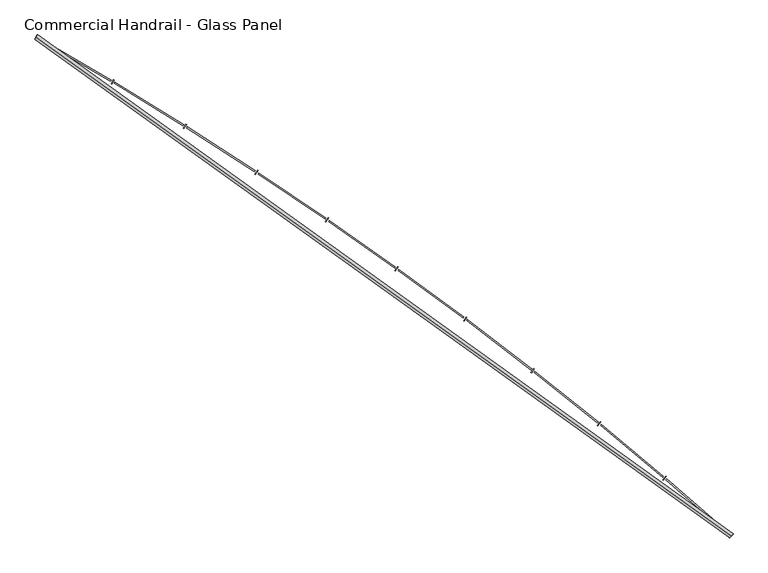
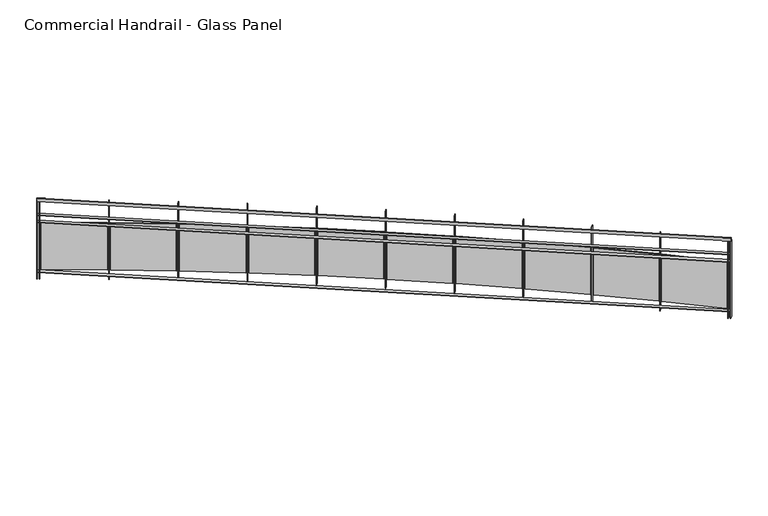
"""IFC4 building model written with IfcOpenShell, lengths in millimetres: railing geometry, Commercial Handrail - Glass Panel."""

from ifc_helpers import new_model, si_unit, point, frame, origin, place, context, project, spatial, polyline, circle_curve, ellipse_curve, trimmed, outline, extrude, source, transform, mapped, element, save
from ifc_brep_helpers import plane_surface, cylinder_surface, revolved_surface, advanced_brep


def commercial_handrail_glass_panel_d713c101(model_context):
    return source(origin(), model_context, "Body", "SolidModel", [
        advanced_brep(
        [(167549.0741026, -21421.502679, 9482.5), (161013.6212135, -16726.1286002, 9482.5), (161013.6212135, -16726.1286002, 9517.5), (167549.0741026, -21421.502679, 9517.5)],
        [
            (0, 1, circle_curve(frame((141448.4989992, -50854.6714836, 9482.5), z_axis=(0.0, 0.0, 1.0), x_axis=(0.4973475894068907, 0.8675513675346002, 0.0)), 39338.9304203)),
            (1, 2, ellipse_curve(frame((161013.6212135, -16726.1286002, 9500.0), z_axis=(0.867551367534597, -0.4973475894068962, 0.0), x_axis=(-0.4973475894068962, -0.867551367534597, 0.0)), 25.0, 17.5)),
            (2, 3, circle_curve(frame((141448.4989992, -50854.6714836, 9517.5), z_axis=(0.0, 0.0, -1.0), x_axis=(0.4973475894068907, 0.8675513675346002, 0.0)), 39338.9304203)),
            (3, 0, ellipse_curve(frame((167549.0741026, -21421.502679, 9500.0), z_axis=(-0.748194434626209, 0.6634795309535686, 0.0), x_axis=(-0.6634795309535686, -0.748194434626209, 0.0)), 25.0, 17.5)),
            (2, 1, ellipse_curve(frame((161013.6212135, -16726.1286002, 9500.0), z_axis=(0.867551367534597, -0.4973475894068962, 0.0), x_axis=(-0.4973475894068962, -0.867551367534597, 0.0)), 25.0, 17.5)),
            (0, 3, ellipse_curve(frame((167549.0741026, -21421.502679, 9500.0), z_axis=(-0.748194434626209, 0.6634795309535686, 0.0), x_axis=(-0.6634795309535686, -0.748194434626209, 0.0)), 25.0, 17.5)),
        ],
        [
            revolved_surface(trimmed(ellipse_curve(frame((161013.6212135, -16726.1286002, 9500.0), z_axis=(-0.8675513675346002, 0.4973475894068907, 0.0), x_axis=(0.0, 0.0, -1.0)), 17.5, 25.0), [point((161013.6212135, -16726.1286002, 9517.5))], [point((161013.6212135, -16726.1286002, 9482.5))], True, "CARTESIAN"), (141448.4989992, -50854.6714836, 9500.0), (0.0, 0.0, -1.0)),
            revolved_surface(trimmed(ellipse_curve(frame((161013.6212135, -16726.1286002, 9500.0), z_axis=(-0.8675513675346002, 0.4973475894068907, 0.0), x_axis=(0.0, 0.0, -1.0)), 17.5, 25.0), [point((161013.6212135, -16726.1286002, 9482.5))], [point((161013.6212135, -16726.1286002, 9517.5))], True, "CARTESIAN"), (141448.4989992, -50854.6714836, 9500.0), (0.0, 0.0, -1.0)),
            plane_surface(frame((161013.6212135, -16726.1286002, 9500.0), z_axis=(-0.8675513675346002, 0.4973475894068907, 0.0), x_axis=(0.4973475894068907, 0.8675513675346002, 0.0))),
            plane_surface(frame((167549.0741026, -21421.502679, 9500.0), z_axis=(0.7481944346262088, -0.663479530953569, 0.0), x_axis=(0.663479530953569, 0.7481944346262088, 0.0))),
        ],
        [
            (0, [[1, 2, 3, 4]]),
            (1, [[-3, 5, -1, 6]]),
            (2, [[-2, -5]]),
            (3, [[-6, -4]]),
        ],
    ),
        advanced_brep(
        [(167564.0023921, -21404.6683042, 9300.0), (161024.8115343, -16706.6086944, 9300.0), (161002.4308928, -16745.6485059, 9300.0), (167534.1458132, -21438.3370538, 9300.0), (167564.0023921, -21404.6683042, 9294.0), (161024.8115343, -16706.6086944, 9294.0), (167534.1458132, -21438.3370538, 9294.0), (161002.4308928, -16745.6485059, 9294.0)],
        [
            (0, 1, circle_curve(frame((141448.4989992, -50854.6714836, 9300.0), z_axis=(0.0, 0.0, 1.0), x_axis=(0.4973475894068907, 0.8675513675346002, 0.0)), 39361.4304203)),
            (1, 2),
            (2, 3, circle_curve(frame((141448.4989992, -50854.6714836, 9300.0), z_axis=(0.0, 0.0, -1.0), x_axis=(0.4973475894068907, 0.8675513675346002, 0.0)), 39316.4304203)),
            (3, 0),
            (4, 5, circle_curve(frame((141448.4989992, -50854.6714836, 9294.0), z_axis=(0.0, 0.0, 1.0), x_axis=(0.4973475894068907, 0.8675513675346002, 0.0)), 39361.4304203)),
            (5, 1),
            (0, 4),
            (6, 7, circle_curve(frame((141448.4989992, -50854.6714836, 9294.0), z_axis=(0.0, 0.0, 1.0), x_axis=(0.4973475894068907, 0.8675513675346002, 0.0)), 39316.4304203)),
            (7, 5),
            (4, 6),
            (2, 7),
            (6, 3),
        ],
        [
            plane_surface(frame((141448.4989992, -50854.6714836, 9300.0), z_axis=(0.0, 0.0, 1.0), x_axis=(0.4973475894068907, 0.8675513675346002, 0.0))),
            cylinder_surface(frame((141448.4989992, -50854.6714836, 9300.0), z_axis=(0.0, 0.0, -1.0), x_axis=(0.4973475894068907, 0.8675513675346002, 0.0)), 39361.4304203),
            plane_surface(frame((141448.4989992, -50854.6714836, 9294.0), z_axis=(0.0, 0.0, -1.0), x_axis=(0.4973475894068907, 0.8675513675346002, 0.0))),
            revolved_surface(polyline([(161002.43089281995, -16745.64850588978, 9294.0), (161002.43089281995, -16745.64850588978, 9300.0)]), (141448.4989992, -50854.6714836, 9300.0), (0.0, 0.0, -1.0)),
            plane_surface(frame((161013.6212135, -16726.1286002, 9300.0), z_axis=(-0.8675513675346002, 0.4973475894068907, 0.0), x_axis=(0.4973475894068907, 0.8675513675346002, 0.0))),
            plane_surface(frame((167549.0741026, -21421.502679, 9300.0), z_axis=(0.7481944346262088, -0.663479530953569, 0.0), x_axis=(0.663479530953569, 0.7481944346262088, 0.0))),
        ],
        [
            (0, [[1, 2, 3, 4]]),
            (1, [[5, 6, -1, 7]]),
            (2, [[8, 9, -5, 10]]),
            (3, [[-3, 11, -8, 12]]),
            (4, [[-2, -6, -9, -11]]),
            (5, [[-12, -10, -7, -4]]),
        ],
    ),
        advanced_brep(
        [(167564.0023921, -21404.6683042, 9200.0), (161024.8115343, -16706.6086944, 9200.0), (161002.4308928, -16745.6485059, 9200.0), (167534.1458132, -21438.3370538, 9200.0), (167564.0023921, -21404.6683042, 9194.0), (161024.8115343, -16706.6086944, 9194.0), (167534.1458132, -21438.3370538, 9194.0), (161002.4308928, -16745.6485059, 9194.0)],
        [
            (0, 1, circle_curve(frame((141448.4989992, -50854.6714836, 9200.0), z_axis=(0.0, 0.0, 1.0), x_axis=(0.4973475894068907, 0.8675513675346002, 0.0)), 39361.4304203)),
            (1, 2),
            (2, 3, circle_curve(frame((141448.4989992, -50854.6714836, 9200.0), z_axis=(0.0, 0.0, -1.0), x_axis=(0.4973475894068907, 0.8675513675346002, 0.0)), 39316.4304203)),
            (3, 0),
            (4, 5, circle_curve(frame((141448.4989992, -50854.6714836, 9194.0), z_axis=(0.0, 0.0, 1.0), x_axis=(0.4973475894068907, 0.8675513675346002, 0.0)), 39361.4304203)),
            (5, 1),
            (0, 4),
            (6, 7, circle_curve(frame((141448.4989992, -50854.6714836, 9194.0), z_axis=(0.0, 0.0, 1.0), x_axis=(0.4973475894068907, 0.8675513675346002, 0.0)), 39316.4304203)),
            (7, 5),
            (4, 6),
            (2, 7),
            (6, 3),
        ],
        [
            plane_surface(frame((141448.4989992, -50854.6714836, 9200.0), z_axis=(0.0, 0.0, 1.0), x_axis=(0.4973475894068907, 0.8675513675346002, 0.0))),
            cylinder_surface(frame((141448.4989992, -50854.6714836, 9200.0), z_axis=(0.0, 0.0, -1.0), x_axis=(0.4973475894068907, 0.8675513675346002, 0.0)), 39361.4304203),
            plane_surface(frame((141448.4989992, -50854.6714836, 9194.0), z_axis=(0.0, 0.0, -1.0), x_axis=(0.4973475894068907, 0.8675513675346002, 0.0))),
            revolved_surface(polyline([(161002.43089281995, -16745.64850588978, 9194.0), (161002.43089281995, -16745.64850588978, 9200.0)]), (141448.4989992, -50854.6714836, 9200.0), (0.0, 0.0, -1.0)),
            plane_surface(frame((161013.6212135, -16726.1286002, 9200.0), z_axis=(-0.8675513675346002, 0.4973475894068907, 0.0), x_axis=(0.4973475894068907, 0.8675513675346002, 0.0))),
            plane_surface(frame((167549.0741026, -21421.502679, 9200.0), z_axis=(0.7481944346262088, -0.663479530953569, 0.0), x_axis=(0.663479530953569, 0.7481944346262088, 0.0))),
        ],
        [
            (0, [[1, 2, 3, 4]]),
            (1, [[5, 6, -1, 7]]),
            (2, [[8, 9, -5, 10]]),
            (3, [[-3, 11, -8, 12]]),
            (4, [[-2, -6, -9, -11]]),
            (5, [[-12, -10, -7, -4]]),
        ],
    ),
        advanced_brep(
        [(167564.0023921, -21404.6683042, 8500.0), (161024.8115343, -16706.6086944, 8500.0), (161002.4308928, -16745.6485059, 8500.0), (167534.1458132, -21438.3370538, 8500.0), (167564.0023921, -21404.6683042, 8494.0), (161024.8115343, -16706.6086944, 8494.0), (167534.1458132, -21438.3370538, 8494.0), (161002.4308928, -16745.6485059, 8494.0)],
        [
            (0, 1, circle_curve(frame((141448.4989992, -50854.6714836, 8500.0), z_axis=(0.0, 0.0, 1.0), x_axis=(0.4973475894068907, 0.8675513675346002, 0.0)), 39361.4304203)),
            (1, 2),
            (2, 3, circle_curve(frame((141448.4989992, -50854.6714836, 8500.0), z_axis=(0.0, 0.0, -1.0), x_axis=(0.4973475894068907, 0.8675513675346002, 0.0)), 39316.4304203)),
            (3, 0),
            (4, 5, circle_curve(frame((141448.4989992, -50854.6714836, 8494.0), z_axis=(0.0, 0.0, 1.0), x_axis=(0.4973475894068907, 0.8675513675346002, 0.0)), 39361.4304203)),
            (5, 1),
            (0, 4),
            (6, 7, circle_curve(frame((141448.4989992, -50854.6714836, 8494.0), z_axis=(0.0, 0.0, 1.0), x_axis=(0.4973475894068907, 0.8675513675346002, 0.0)), 39316.4304203)),
            (7, 5),
            (4, 6),
            (2, 7),
            (6, 3),
        ],
        [
            plane_surface(frame((141448.4989992, -50854.6714836, 8500.0), z_axis=(0.0, 0.0, 1.0), x_axis=(0.4973475894068907, 0.8675513675346002, 0.0))),
            cylinder_surface(frame((141448.4989992, -50854.6714836, 8500.0), z_axis=(0.0, 0.0, -1.0), x_axis=(0.4973475894068907, 0.8675513675346002, 0.0)), 39361.4304203),
            plane_surface(frame((141448.4989992, -50854.6714836, 8494.0), z_axis=(0.0, 0.0, -1.0), x_axis=(0.4973475894068907, 0.8675513675346002, 0.0))),
            revolved_surface(polyline([(161002.43089281995, -16745.64850588978, 8494.0), (161002.43089281995, -16745.64850588978, 8500.0)]), (141448.4989992, -50854.6714836, 8500.0), (0.0, 0.0, -1.0)),
            plane_surface(frame((161013.6212135, -16726.1286002, 8500.0), z_axis=(-0.8675513675346002, 0.4973475894068907, 0.0), x_axis=(0.4973475894068907, 0.8675513675346002, 0.0))),
            plane_surface(frame((167549.0741026, -21421.502679, 8500.0), z_axis=(0.7481944346262088, -0.663479530953569, 0.0), x_axis=(0.663479530953569, 0.7481944346262088, 0.0))),
        ],
        [
            (0, [[1, 2, 3, 4]]),
            (1, [[5, 6, -1, 7]]),
            (2, [[8, 9, -5, 10]]),
            (3, [[-3, 11, -8, 12]]),
            (4, [[-2, -6, -9, -11]]),
            (5, [[-12, -10, -7, -4]]),
        ],
    ),
        extrude(outline(polyline([(167508.9444824, -21416.0082801), (167538.7747877, -21382.3162501), (167543.2670583, -21386.2936241), (167513.436753, -21419.9856541), (167508.9444824, -21416.0082801)])), frame((0.0, 0.0, 8400.0), z_axis=(0.0, 0.0, 1.0), x_axis=(1.0, 0.0, 0.0)), (0.0, 0.0, 1.0), 1082.1192282),
        extrude(outline(polyline([(166942.1525945, -20883.992877), (167516.2667104, -21381.9818146), (167508.4037272, -21391.0467743), (166934.2896113, -20893.0578368), (166942.1525945, -20883.992877)])), frame((0.0, 0.0, 8520.0), z_axis=(0.0, 0.0, 1.0), x_axis=(1.0, 0.0, 0.0)), (0.0, 0.0, 1.0), 660.0),
        extrude(outline(polyline([(166904.9299151, -20892.1643286), (166934.0689354, -20857.8726752), (166938.6411559, -20861.7578779), (166909.5021355, -20896.0495313), (166904.9299151, -20892.1643286)])), frame((0.0, 0.0, 8400.0), z_axis=(0.0, 0.0, 1.0), x_axis=(1.0, 0.0, 0.0)), (0.0, 0.0, 1.0), 1082.1192282),
        extrude(outline(polyline([(166327.4368564, -20371.7844669), (166911.5587116, -20857.9960035), (166903.8816873, -20867.2189802), (166319.7598321, -20381.0074436), (166327.4368564, -20371.7844669)])), frame((0.0, 0.0, 8520.0), z_axis=(0.0, 0.0, 1.0), x_axis=(1.0, 0.0, 0.0)), (0.0, 0.0, 1.0), 660.0),
        extrude(outline(polyline([(166290.3880375, -20380.7111404), (166318.8237226, -20345.8340446), (166323.4740021, -20349.6254693), (166295.0383169, -20384.5025651), (166290.3880375, -20380.7111404)])), frame((0.0, 0.0, 8400.0), z_axis=(0.0, 0.0, 1.0), x_axis=(1.0, 0.0, 0.0)), (0.0, 0.0, 1.0), 1082.1192282),
        extrude(outline(polyline([(165702.4326258, -19872.1820192), (166296.3206611, -20346.4150858), (166288.8327706, -20355.7922653), (165694.9447352, -19881.5591987), (165702.4326258, -19872.1820192)])), frame((0.0, 0.0, 8520.0), z_axis=(0.0, 0.0, 1.0), x_axis=(1.0, 0.0, 0.0)), (0.0, 0.0, 1.0), 660.0),
        extrude(outline(polyline([(165665.5729886, -19881.860223), (165693.2935792, -19846.4121081), (165698.0199946, -19850.1081868), (165670.2994039, -19885.5563018), (165665.5729886, -19881.860223)])), frame((0.0, 0.0, 8400.0), z_axis=(0.0, 0.0, 1.0), x_axis=(1.0, 0.0, 0.0)), (0.0, 0.0, 1.0), 1082.1192282),
        extrude(outline(polyline([(165067.3983683, -19385.3921406), (165670.8069859, -19847.4506219), (165663.5113257, -19856.9781264), (165060.102708, -19394.9196451), (165067.3983683, -19385.3921406)])), frame((0.0, 0.0, 8520.0), z_axis=(0.0, 0.0, 1.0), x_axis=(1.0, 0.0, 0.0)), (0.0, 0.0, 1.0), 660.0),
        extrude(outline(polyline([(165030.7431559, -19395.8178725), (165057.7371883, -19359.8133976), (165062.537785, -19363.412602), (165035.5437525, -19399.4170768), (165030.7431559, -19395.8178725)])), frame((0.0, 0.0, 8400.0), z_axis=(0.0, 0.0, 1.0), x_axis=(1.0, 0.0, 0.0)), (0.0, 0.0, 1.0), 1082.1192282),
        extrude(outline(polyline([(164422.5966974, -18911.6161393), (165035.2763625, -19361.3089545), (165028.1759496, -19370.982844), (164415.4962846, -18921.2900288), (164422.5966974, -18911.6161393)])), frame((0.0, 0.0, 8520.0), z_axis=(0.0, 0.0, 1.0), x_axis=(1.0, 0.0, 0.0)), (0.0, 0.0, 1.0), 660.0),
        extrude(outline(polyline([(164386.1610683, -18922.7850878), (164412.4173794, -18886.2391424), (164417.2901721, -18889.7399839), (164391.033861, -18926.2859293), (164386.1610683, -18922.7850878)])), frame((0.0, 0.0, 8400.0), z_axis=(0.0, 0.0, 1.0), x_axis=(1.0, 0.0, 0.0)), (0.0, 0.0, 1.0), 1082.1192282),
        extrude(outline(polyline([(163768.294266, -18451.0499418), (164389.9916095, -18888.1911239), (164383.0893803, -18898.0073978), (163761.3920368, -18460.8662157), (163768.294266, -18451.0499418)])), frame((0.0, 0.0, 8520.0), z_axis=(0.0, 0.0, 1.0), x_axis=(1.0, 0.0, 0.0)), (0.0, 0.0, 1.0), 660.0),
        extrude(outline(polyline([(163732.0932877, -18462.957488), (163757.6010195, -18425.8851854), (163762.5439932, -18429.2862163), (163737.0362614, -18466.3585189), (163732.0932877, -18462.957488)])), frame((0.0, 0.0, 8400.0), z_axis=(0.0, 0.0, 1.0), x_axis=(1.0, 0.0, 0.0)), (0.0, 0.0, 1.0), 1082.1192282),
        extrude(outline(polyline([(163104.7616557, -18003.8840116), (163735.2195795, -18428.2927843), (163728.5183883, -18438.2473831), (163098.0604645, -18013.8386104), (163104.7616557, -18003.8840116)])), frame((0.0, 0.0, 8520.0), z_axis=(0.0, 0.0, 1.0), x_axis=(1.0, 0.0, 0.0)), (0.0, 0.0, 1.0), 660.0),
        extrude(outline(polyline([(163068.810299, -18016.5252312), (163093.5589027, -17978.9419023), (163098.5700133, -17982.2417162), (163073.8214095, -18019.8250451), (163068.810299, -18016.5252312)])), frame((0.0, 0.0, 8400.0), z_axis=(0.0, 0.0, 1.0), x_axis=(1.0, 0.0, 0.0)), (0.0, 0.0, 1.0), 1082.1192282),
        extrude(outline(polyline([(162432.2732653, -17570.3032708), (163071.2310484, -17981.8041231), (163064.7336665, -17991.8929302), (162425.7758834, -17580.3920779), (162432.2732653, -17570.3032708)])), frame((0.0, 0.0, 8520.0), z_axis=(0.0, 0.0, 1.0), x_axis=(1.0, 0.0, 0.0)), (0.0, 0.0, 1.0), 660.0),
        extrude(outline(polyline([(162396.5863975, -17583.6729362), (162420.5656387, -17545.5941233), (162425.6428138, -17548.7913555), (162401.6635725, -17586.8701683), (162396.5863975, -17583.6729362)])), frame((0.0, 0.0, 8400.0), z_axis=(0.0, 0.0, 1.0), x_axis=(1.0, 0.0, 0.0)), (0.0, 0.0, 1.0), 1082.1192282),
        extrude(outline(polyline([(161751.1071971, -17150.4870233), (162398.3006035, -17548.9097821), (162392.0097178, -17559.1286254), (161744.8163114, -17160.7058665), (161751.1071971, -17150.4870233)])), frame((0.0, 0.0, 8520.0), z_axis=(0.0, 0.0, 1.0), x_axis=(1.0, 0.0, 0.0)), (0.0, 0.0, 1.0), 660.0),
        extrude(outline(polyline([(161715.6995763, -17164.5796055), (161738.8995386, -17126.0210558), (161744.0406785, -17129.1143841), (161720.8407163, -17167.6729338), (161715.6995763, -17164.5796055)])), frame((0.0, 0.0, 8400.0), z_axis=(0.0, 0.0, 1.0), x_axis=(1.0, 0.0, 0.0)), (0.0, 0.0, 1.0), 1082.1192282),
        extrude(outline(polyline([(161061.5451422, -16744.6088808), (161716.70653, -17129.7887816), (161710.6247421, -17140.1334351), (161055.4633543, -16754.9535343), (161061.5451422, -16744.6088808)])), frame((0.0, 0.0, 8520.0), z_axis=(0.0, 0.0, 1.0), x_axis=(1.0, 0.0, 0.0)), (0.0, 0.0, 1.0), 660.0),
        extrude(outline(polyline([(161026.431411, -16759.418552), (161048.8425001, -16720.3962112), (161054.0454789, -16723.3843564), (161031.6343898, -16762.4066972), (161026.431411, -16759.418552)])), frame((0.0, 0.0, 8400.0), z_axis=(0.0, 0.0, 1.0), x_axis=(1.0, 0.0, 0.0)), (0.0, 0.0, 1.0), 1082.1192282),
        extrude(outline(polyline([(167531.9012299, -21436.3466152), (167561.7578088, -21402.6778657), (167566.2469754, -21406.6587428), (167536.3903965, -21440.3274924), (167531.9012299, -21436.3466152)])), frame((0.0, 0.0, 8400.0), z_axis=(0.0, 0.0, 1.0), x_axis=(1.0, 0.0, 0.0)), (0.0, 0.0, 1.0), 1082.1192282),
        extrude(outline(polyline([(160999.8282387, -16744.1564632), (161022.2088802, -16705.1166516), (161027.4141884, -16708.1007372), (161005.0335469, -16747.1405487), (160999.8282387, -16744.1564632)])), frame((0.0, 0.0, 8400.0), z_axis=(0.0, 0.0, 1.0), x_axis=(1.0, 0.0, 0.0)), (0.0, 0.0, 1.0), 1082.1192282),
    ])


if __name__ == "__main__":
    model = new_model("IFC4")
    model_context = context("Model", 3, world=origin())
    ifc_project = project(units=[si_unit("LENGTHUNIT", "METRE", prefix="MILLI")], contexts=[model_context])
    site = spatial("IfcSite", under=ifc_project)
    building = spatial("IfcBuilding", under=site)
    placement = place(None, origin())
    commercial_handrail_glass_panel_shape = commercial_handrail_glass_panel_d713c101(model_context)
    element("IfcRailing", 1, ObjectType="Commercial Handrail - Glass Panel", at=placement, inside=building, context=model_context, shape_type="MappedRepresentation", body=[
        mapped(commercial_handrail_glass_panel_shape, transform((0.0, 0.0, 0.0), x_axis=(1.0, 0.0, 0.0), y_axis=(0.0, 1.0, 0.0), z_axis=(0.0, 0.0, 1.0))),
    ])
    save(model, "model.ifc")
